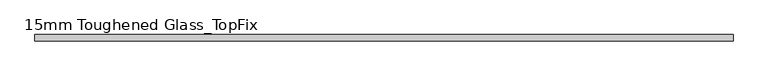
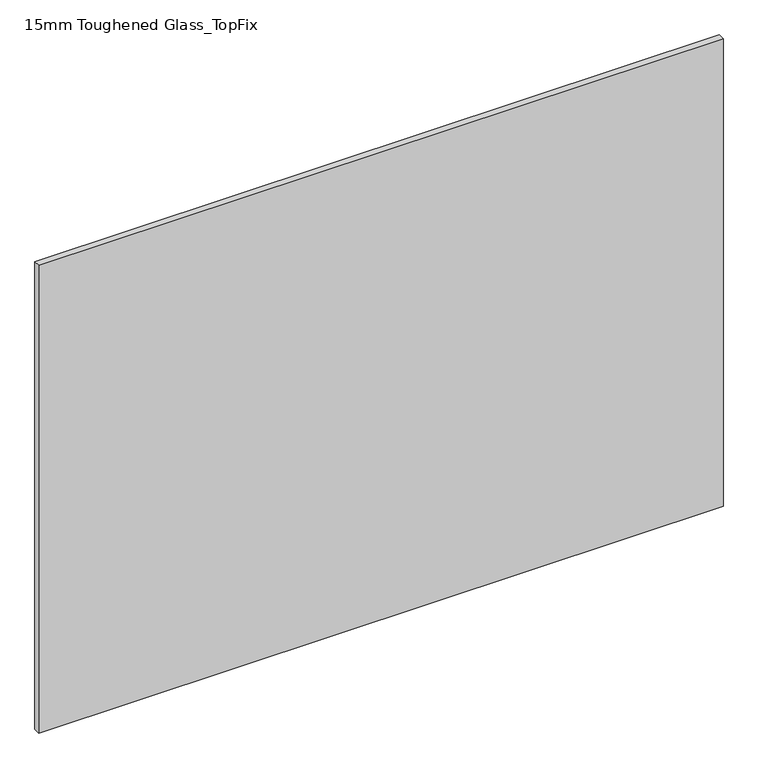
"""IFC4 building model written with IfcOpenShell, lengths in millimetres: plate geometry, 15mm Toughened Glass_TopFix."""

from ifc_helpers import new_model, si_unit, origin, origin_with_axes, place, context, project, spatial, polyline, outline, extrude, source, transform, mapped, element, save


def plate_15mm_toughened_glass_topfix_781011d2(model_context):
    return source(origin(), model_context, "Body", "SweptSolid", [
        extrude(outline(polyline([(795.0000001, 7.5), (795.0000001, -7.5), (-795.0000001, -7.5), (-795.0000001, 7.5), (795.0000001, 7.5)])), origin_with_axes(), (0.0, 0.0, 1.0), 1149.0),
    ])


if __name__ == "__main__":
    model = new_model("IFC4")
    model_context = context("Model", 3, world=origin())
    ifc_project = project(units=[si_unit("LENGTHUNIT", "METRE", prefix="MILLI")], contexts=[model_context])
    site = spatial("IfcSite", under=ifc_project)
    building = spatial("IfcBuilding", under=site)
    placement = place(None, origin())
    plate_15mm_toughened_glass_topfix_shape = plate_15mm_toughened_glass_topfix_781011d2(model_context)
    element("IfcPlate", 1, ObjectType="15mm Toughened Glass_TopFix", at=placement, inside=building, context=model_context, shape_type="MappedRepresentation", body=[
        mapped(plate_15mm_toughened_glass_topfix_shape, transform((0.0, 0.0, 0.0), x_axis=(1.0, 0.0, 0.0), y_axis=(0.0, 1.0, 0.0), z_axis=(0.0, 0.0, 1.0))),
    ])
    save(model, "model.ifc")
